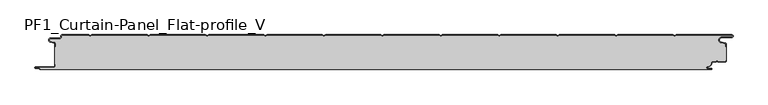
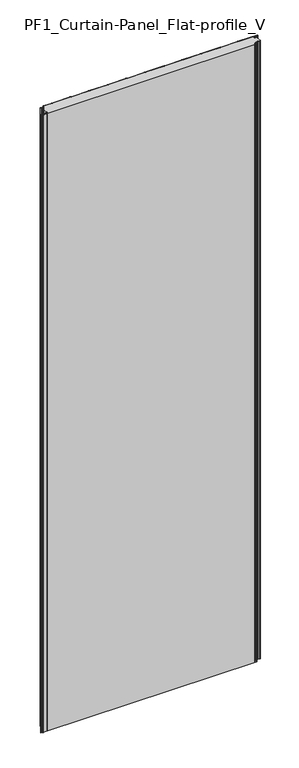
"""IFC4 building model written with IfcOpenShell, lengths in millimetres: plate geometry, PF1_Curtain-Panel_Flat-profile_V."""

from ifc_helpers import new_model, si_unit, point, frame_2d, origin, origin_with_axes, place, context, project, spatial, polyline, circle_curve, trimmed, segment, composite_curve, outline, extrude, source, transform, mapped, element, save


def pf1_curtain_panel_flat_profile_v_af472e7e(model_context):
    return source(origin(), model_context, "Body", "SweptSolid", [
        extrude(outline(composite_curve([segment(trimmed(circle_curve(frame_2d((-577.0, -15.878557)), 2.0), [point((-575.0, -15.878557))], [point((-576.5500978, -13.9298169))], True, "CARTESIAN"), True, "CONTINUOUS"), segment(polyline([(-576.5500978, -13.9298169), (-582.7098239, -12.507732)]), True, "CONTINUOUS"), segment(trimmed(circle_curve(frame_2d((-581.9, -9.0)), 3.6), [point((-582.7098239, -12.507732))], [point((-581.9, -5.4))], False, "CARTESIAN"), True, "CONTINUOUS"), segment(polyline([(-581.9, -5.4), (-566.4, -5.4)]), True, "CONTINUOUS"), segment(trimmed(circle_curve(frame_2d((-566.4, -3.4)), 2.0), [point((-566.4, -5.4))], [point((-564.4, -3.4))], True, "CARTESIAN"), True, "CONTINUOUS"), segment(polyline([(-564.4, -3.4), (-564.4, -2.0)]), True, "CONTINUOUS"), segment(trimmed(circle_curve(frame_2d((-562.4, -2.0)), 2.0), [point((-564.4, -2.0))], [point((-562.4, 0.0))], False, "CARTESIAN"), True, "CONTINUOUS"), segment(polyline([(-562.4, 0.0), (-517.0999995, 0.0), (-514.4, -1.5588455), (-511.7000005, 0.0), (-417.0999995, 0.0), (-414.4, -1.5588455), (-411.7000005, 0.0), (-317.0999995, 0.0), (-314.4, -1.5588455), (-311.7000005, 0.0), (-217.0999995, 0.0), (-214.4, -1.5588455), (-211.7000005, 0.0), (-117.0999995, 0.0), (-114.4, -1.5588455), (-111.7000005, 0.0), (-17.0999995, 0.0), (-14.4, -1.5588455), (-11.7000005, 0.0), (82.9000005, 0.0), (85.6, -1.5588455), (88.2999995, 0.0), (182.9000005, 0.0), (185.6, -1.5588455), (188.2999995, 0.0), (282.9000005, 0.0), (285.6, -1.5588455), (288.2999995, 0.0), (382.9000005, 0.0), (385.6, -1.5588455), (388.2999995, 0.0), (482.9000005, 0.0), (485.6, -1.5588455), (488.2999995, 0.0), (583.268846, 0.0)]), True, "CONTINUOUS"), segment(trimmed(circle_curve(frame_2d((583.268846, -2.5)), 2.5), [point((583.268846, 0.0))], [point((583.268846, -5.0))], False, "CARTESIAN"), True, "CONTINUOUS"), segment(polyline([(583.268846, -5.0), (566.268846, -5.0)]), True, "CONTINUOUS"), segment(trimmed(circle_curve(frame_2d((566.268846, -9.0)), 4.0), [point((566.268846, -5.0))], [point((565.574253, -12.939231))], True, "CARTESIAN"), True, "CONTINUOUS"), segment(polyline([(565.574253, -12.939231), (572.0203315, -14.0758491)]), True, "CONTINUOUS"), segment(trimmed(circle_curve(frame_2d((571.568846, -16.6363492)), 2.6), [point((572.0203315, -14.0758491))], [point((574.168846, -16.6363492))], False, "CARTESIAN"), True, "CONTINUOUS"), segment(polyline([(574.168846, -16.6363492), (574.168846, -20.0), (573.368846, -20.0), (573.368846, -16.6363492)]), True, "CONTINUOUS"), segment(trimmed(circle_curve(frame_2d((571.568846, -16.6363492)), 1.8), [point((573.368846, -16.6363492))], [point((571.8814129, -14.8636953))], True, "CARTESIAN"), True, "CONTINUOUS"), segment(polyline([(571.8814129, -14.8636953), (565.4353344, -13.7270772)]), True, "CONTINUOUS"), segment(trimmed(circle_curve(frame_2d((566.268846, -9.0)), 4.8), [point((565.4353344, -13.7270772))], [point((566.268846, -4.2))], False, "CARTESIAN"), True, "CONTINUOUS"), segment(polyline([(566.268846, -4.2), (583.268846, -4.2)]), True, "CONTINUOUS"), segment(trimmed(circle_curve(frame_2d((583.268846, -2.5)), 1.7), [point((583.268846, -4.2))], [point((583.268846, -0.8))], True, "CARTESIAN"), True, "CONTINUOUS"), segment(polyline([(583.268846, -0.8), (488.5143588, -0.8), (485.6, -2.482606), (482.6856412, -0.8), (388.5143588, -0.8), (385.6, -2.482606), (382.6856412, -0.8), (288.5143588, -0.8), (285.6, -2.482606), (282.6856412, -0.8), (188.5143588, -0.8), (185.6, -2.482606), (182.6856412, -0.8), (88.5143588, -0.8), (85.6, -2.482606), (82.6856412, -0.8), (-11.4856412, -0.8), (-14.4, -2.482606), (-17.3143588, -0.8), (-111.4856412, -0.8), (-114.4, -2.482606), (-117.3143588, -0.8), (-211.4856412, -0.8), (-214.4, -2.482606), (-217.3143588, -0.8), (-311.4856412, -0.8), (-314.4, -2.482606), (-317.3143588, -0.8), (-411.4856412, -0.8), (-414.4, -2.482606), (-417.3143588, -0.8), (-511.4856412, -0.8), (-514.4, -2.482606), (-517.3143588, -0.8), (-562.4, -0.8)]), True, "CONTINUOUS"), segment(trimmed(circle_curve(frame_2d((-562.4, -2.0)), 1.2), [point((-562.4, -0.8))], [point((-563.6, -2.0))], True, "CARTESIAN"), True, "CONTINUOUS"), segment(polyline([(-563.6, -2.0), (-563.6, -3.4)]), True, "CONTINUOUS"), segment(trimmed(circle_curve(frame_2d((-566.4, -3.4)), 2.8), [point((-563.6, -3.4))], [point((-566.4, -6.2))], False, "CARTESIAN"), True, "CONTINUOUS"), segment(polyline([(-566.4, -6.2), (-581.9, -6.2)]), True, "CONTINUOUS"), segment(trimmed(circle_curve(frame_2d((-581.9, -9.0)), 2.8), [point((-581.9, -6.2))], [point((-582.529863, -11.7282362))], True, "CARTESIAN"), True, "CONTINUOUS"), segment(polyline([(-582.529863, -11.7282362), (-576.370137, -13.150321)]), True, "CONTINUOUS"), segment(trimmed(circle_curve(frame_2d((-577.0, -15.878557)), 2.8), [point((-576.370137, -13.150321))], [point((-574.2, -15.878557))], False, "CARTESIAN"), True, "CONTINUOUS"), segment(polyline([(-574.2, -15.878557), (-574.2, -20.0), (-575.0, -20.0), (-575.0, -15.878557)]), True, "CONTINUOUS")], self_intersect=False)), origin_with_axes(), (0.0, 0.0, 1.0), 3500.0),
        extrude(outline(composite_curve([segment(polyline([(-574.2, -50.0), (-575.0, -50.0), (-575.0, -20.0), (-574.2, -20.0), (-574.2, -15.878557)]), True, "CONTINUOUS"), segment(trimmed(circle_curve(frame_2d((-577.0, -15.878557)), 2.8), [point((-574.2, -15.878557))], [point((-576.370137, -13.1503208))], True, "CARTESIAN"), True, "CONTINUOUS"), segment(polyline([(-576.370137, -13.1503208), (-582.529863, -11.7282362)]), True, "CONTINUOUS"), segment(trimmed(circle_curve(frame_2d((-581.9, -9.0)), 2.8), [point((-582.529863, -11.7282362))], [point((-581.9, -6.2))], False, "CARTESIAN"), True, "CONTINUOUS"), segment(polyline([(-581.9, -6.2), (-566.4, -6.2)]), True, "CONTINUOUS"), segment(trimmed(circle_curve(frame_2d((-566.4, -3.4)), 2.8), [point((-566.4, -6.2))], [point((-563.6, -3.4))], True, "CARTESIAN"), True, "CONTINUOUS"), segment(polyline([(-563.6, -3.4), (-563.6, -2.0)]), True, "CONTINUOUS"), segment(trimmed(circle_curve(frame_2d((-562.4, -2.0)), 1.2), [point((-563.6, -2.0))], [point((-562.4, -0.8))], False, "CARTESIAN"), True, "CONTINUOUS"), segment(polyline([(-562.4, -0.8), (-517.3143588, -0.8), (-514.4, -2.482606), (-511.4856412, -0.8), (-417.3143588, -0.8), (-414.4, -2.482606), (-411.4856412, -0.8), (-317.3143588, -0.8), (-314.4, -2.482606), (-311.4856412, -0.8), (-217.3143588, -0.8), (-214.4, -2.482606), (-211.4856412, -0.8), (-117.3143588, -0.8), (-114.4, -2.482606), (-111.4856412, -0.8), (-17.3143588, -0.8), (-14.4, -2.482606), (-11.4856412, -0.8), (82.6856412, -0.8), (85.6, -2.482606), (88.5143588, -0.8), (182.6856412, -0.8), (185.6, -2.482606), (188.5143588, -0.8), (282.6856412, -0.8), (285.6, -2.482606), (288.5143588, -0.8), (382.6856412, -0.8), (385.6, -2.482606), (388.5143588, -0.8), (482.6856412, -0.8), (485.6, -2.482606), (488.5143588, -0.8), (583.268846, -0.8)]), True, "CONTINUOUS"), segment(trimmed(circle_curve(frame_2d((583.268846, -2.5)), 1.7), [point((583.268846, -0.8))], [point((583.268846, -4.2))], False, "CARTESIAN"), True, "CONTINUOUS"), segment(polyline([(583.268846, -4.2), (566.268846, -4.2)]), True, "CONTINUOUS"), segment(trimmed(circle_curve(frame_2d((566.268846, -9.0)), 4.8), [point((566.268846, -4.2))], [point((565.4353344, -13.7270772))], True, "CARTESIAN"), True, "CONTINUOUS"), segment(polyline([(565.4353344, -13.7270772), (571.8814129, -14.8636953)]), True, "CONTINUOUS"), segment(trimmed(circle_curve(frame_2d((571.568846, -16.6363492)), 1.8), [point((571.8814129, -14.8636953))], [point((573.368846, -16.6363492))], False, "CARTESIAN"), True, "CONTINUOUS"), segment(polyline([(573.368846, -16.6363492), (573.368846, -20.0), (574.168846, -20.0), (574.168846, -43.0), (573.368846, -43.0), (573.368846, -44.4)]), True, "CONTINUOUS"), segment(trimmed(circle_curve(frame_2d((571.568846, -44.4)), 1.8), [point((573.368846, -44.4))], [point((571.568846, -46.2))], False, "CARTESIAN"), True, "CONTINUOUS"), segment(polyline([(571.568846, -46.2), (560.0002158, -46.2), (558.168846, -44.3686285), (556.3374762, -46.2), (550.168846, -46.2)]), True, "CONTINUOUS"), segment(trimmed(circle_curve(frame_2d((550.168846, -48.0)), 1.8), [point((550.168846, -46.2))], [point((548.368846, -48.0))], True, "CARTESIAN"), True, "CONTINUOUS"), segment(polyline([(548.368846, -48.0), (548.368846, -48.8276204)]), True, "CONTINUOUS"), segment(trimmed(circle_curve(frame_2d((542.9964664, -48.8276204)), 5.3723796), [point((548.368846, -48.8276204))], [point((542.9964664, -54.2))], False, "CARTESIAN"), True, "CONTINUOUS"), segment(polyline([(542.9964664, -54.2), (542.168846, -54.2)]), True, "CONTINUOUS"), segment(trimmed(circle_curve(frame_2d((542.168846, -56.4)), 2.2), [point((542.168846, -54.2))], [point((542.168846, -58.6))], True, "CARTESIAN"), True, "CONTINUOUS"), segment(polyline([(542.168846, -58.6), (548.0579973, -58.6)]), True, "CONTINUOUS"), segment(trimmed(circle_curve(frame_2d((548.0579973, -58.9)), 0.3), [point((548.0579973, -58.6))], [point((548.0579973, -59.2))], False, "CARTESIAN"), True, "CONTINUOUS"), segment(polyline([(548.0579973, -59.2), (-599.4, -59.2)]), True, "CONTINUOUS"), segment(trimmed(circle_curve(frame_2d((-599.4, -58.4)), 0.8), [point((-599.4, -59.2))], [point((-600.2, -58.4))], False, "CARTESIAN"), True, "CONTINUOUS"), segment(trimmed(circle_curve(frame_2d((-601.9, -58.6133333)), 1.7133333), [point((-600.2, -58.4))], [point((-601.9, -56.9))], True, "CARTESIAN"), True, "CONTINUOUS"), segment(polyline([(-601.9, -56.9), (-607.8700312, -56.9)]), True, "CONTINUOUS"), segment(trimmed(circle_curve(frame_2d((-607.8700312, -56.6)), 0.3), [point((-607.8700312, -56.9))], [point((-607.8700312, -56.3))], False, "CARTESIAN"), True, "CONTINUOUS"), segment(polyline([(-607.8700312, -56.3), (-577.0, -56.3)]), True, "CONTINUOUS"), segment(trimmed(circle_curve(frame_2d((-577.0, -53.5)), 2.8), [point((-577.0, -56.3))], [point((-574.2, -53.5))], True, "CARTESIAN"), True, "CONTINUOUS"), segment(polyline([(-574.2, -53.5), (-574.2, -50.0)]), True, "CONTINUOUS")], self_intersect=False)), origin_with_axes(), (0.0, 0.0, 1.0), 3500.0),
        extrude(outline(composite_curve([segment(polyline([(-575.0, -50.0), (-574.2, -50.0), (-574.2, -53.5)]), True, "CONTINUOUS"), segment(trimmed(circle_curve(frame_2d((-577.0, -53.5)), 2.8), [point((-574.2, -53.5))], [point((-577.0, -56.3))], False, "CARTESIAN"), True, "CONTINUOUS"), segment(polyline([(-577.0, -56.3), (-607.8700312, -56.3)]), True, "CONTINUOUS"), segment(trimmed(circle_curve(frame_2d((-607.8700312, -56.6)), 0.3), [point((-607.8700312, -56.3))], [point((-607.8700312, -56.9))], True, "CARTESIAN"), True, "CONTINUOUS"), segment(polyline([(-607.8700312, -56.9), (-601.9, -56.9)]), True, "CONTINUOUS"), segment(trimmed(circle_curve(frame_2d((-601.9, -58.6133333)), 1.7133333), [point((-601.9, -56.9))], [point((-600.2, -58.4))], False, "CARTESIAN"), True, "CONTINUOUS"), segment(trimmed(circle_curve(frame_2d((-599.4, -58.4)), 0.8), [point((-600.2, -58.4))], [point((-599.4, -59.2))], True, "CARTESIAN"), True, "CONTINUOUS"), segment(polyline([(-599.4, -59.2), (548.0579973, -59.2)]), True, "CONTINUOUS"), segment(trimmed(circle_curve(frame_2d((548.0579973, -58.9)), 0.3), [point((548.0579973, -59.2))], [point((548.0579973, -58.6))], True, "CARTESIAN"), True, "CONTINUOUS"), segment(polyline([(548.0579973, -58.6), (542.168846, -58.6)]), True, "CONTINUOUS"), segment(trimmed(circle_curve(frame_2d((542.168846, -56.4)), 2.2), [point((542.168846, -58.6))], [point((542.168846, -54.2))], False, "CARTESIAN"), True, "CONTINUOUS"), segment(polyline([(542.168846, -54.2), (542.9964664, -54.2)]), True, "CONTINUOUS"), segment(trimmed(circle_curve(frame_2d((542.9964664, -48.8276204)), 5.3723796), [point((542.9964664, -54.2))], [point((548.368846, -48.8276204))], True, "CARTESIAN"), True, "CONTINUOUS"), segment(polyline([(548.368846, -48.8276204), (548.368846, -48.0)]), True, "CONTINUOUS"), segment(trimmed(circle_curve(frame_2d((550.168846, -48.0)), 1.8), [point((548.368846, -48.0))], [point((550.168846, -46.2))], False, "CARTESIAN"), True, "CONTINUOUS"), segment(polyline([(550.168846, -46.2), (556.3374762, -46.2), (558.168846, -44.3686285), (560.0002158, -46.2), (571.568846, -46.2)]), True, "CONTINUOUS"), segment(trimmed(circle_curve(frame_2d((571.568846, -44.4)), 1.8), [point((571.568846, -46.2))], [point((573.368846, -44.4))], True, "CARTESIAN"), True, "CONTINUOUS"), segment(polyline([(573.368846, -44.4), (573.368846, -43.0), (574.168846, -43.0), (574.168846, -44.4)]), True, "CONTINUOUS"), segment(trimmed(circle_curve(frame_2d((571.568846, -44.4)), 2.6), [point((574.168846, -44.4))], [point((571.568846, -47.0))], False, "CARTESIAN"), True, "CONTINUOUS"), segment(polyline([(571.568846, -47.0), (559.6688448, -47.0), (558.168846, -45.4999999), (556.6688472, -47.0), (550.168846, -47.0)]), True, "CONTINUOUS"), segment(trimmed(circle_curve(frame_2d((550.168846, -48.0)), 1.0), [point((550.168846, -47.0))], [point((549.168846, -48.0))], True, "CARTESIAN"), True, "CONTINUOUS"), segment(polyline([(549.168846, -48.0), (549.168846, -48.8276204)]), True, "CONTINUOUS"), segment(trimmed(circle_curve(frame_2d((542.9964664, -48.8276204)), 6.1723796), [point((549.168846, -48.8276204))], [point((542.9964664, -55.0))], False, "CARTESIAN"), True, "CONTINUOUS"), segment(polyline([(542.9964664, -55.0), (542.168846, -55.0)]), True, "CONTINUOUS"), segment(trimmed(circle_curve(frame_2d((542.168846, -56.5)), 1.5), [point((542.168846, -55.0))], [point((542.168846, -58.0))], True, "CARTESIAN"), True, "CONTINUOUS"), segment(polyline([(542.168846, -58.0), (548.168846, -58.0)]), True, "CONTINUOUS"), segment(trimmed(circle_curve(frame_2d((548.168846, -59.0)), 1.0), [point((548.168846, -58.0))], [point((548.168846, -60.0))], False, "CARTESIAN"), True, "CONTINUOUS"), segment(polyline([(548.168846, -60.0), (-599.4, -60.0)]), True, "CONTINUOUS"), segment(trimmed(circle_curve(frame_2d((-599.4, -58.4)), 1.6), [point((-599.4, -60.0))], [point((-601.0, -58.4))], False, "CARTESIAN"), True, "CONTINUOUS"), segment(trimmed(circle_curve(frame_2d((-601.9, -58.4)), 0.9), [point((-601.0, -58.4))], [point((-601.9, -57.5))], True, "CARTESIAN"), True, "CONTINUOUS"), segment(polyline([(-601.9, -57.5), (-608.0, -57.5)]), True, "CONTINUOUS"), segment(trimmed(circle_curve(frame_2d((-608.0, -56.5)), 1.0), [point((-608.0, -57.5))], [point((-608.0, -55.5))], False, "CARTESIAN"), True, "CONTINUOUS"), segment(polyline([(-608.0, -55.5), (-577.0, -55.5)]), True, "CONTINUOUS"), segment(trimmed(circle_curve(frame_2d((-577.0, -53.5)), 2.0), [point((-577.0, -55.5))], [point((-575.0, -53.5))], True, "CARTESIAN"), True, "CONTINUOUS"), segment(polyline([(-575.0, -53.5), (-575.0, -50.0)]), True, "CONTINUOUS")], self_intersect=False)), origin_with_axes(), (0.0, 0.0, 1.0), 3500.0),
    ])


if __name__ == "__main__":
    model = new_model("IFC4")
    model_context = context("Model", 3, world=origin())
    ifc_project = project(units=[si_unit("LENGTHUNIT", "METRE", prefix="MILLI")], contexts=[model_context])
    site = spatial("IfcSite", under=ifc_project)
    building = spatial("IfcBuilding", under=site)
    placement = place(None, origin())
    pf1_curtain_panel_flat_profile_v_shape = pf1_curtain_panel_flat_profile_v_af472e7e(model_context)
    element("IfcPlate", 1, ObjectType="PF1_Curtain-Panel_Flat-profile_V", at=placement, inside=building, context=model_context, shape_type="MappedRepresentation", body=[
        mapped(pf1_curtain_panel_flat_profile_v_shape, transform((0.0, 0.0, 0.0), x_axis=(1.0, 0.0, 0.0), y_axis=(0.0, 1.0, 0.0), z_axis=(0.0, 0.0, 1.0))),
    ])
    save(model, "model.ifc")
